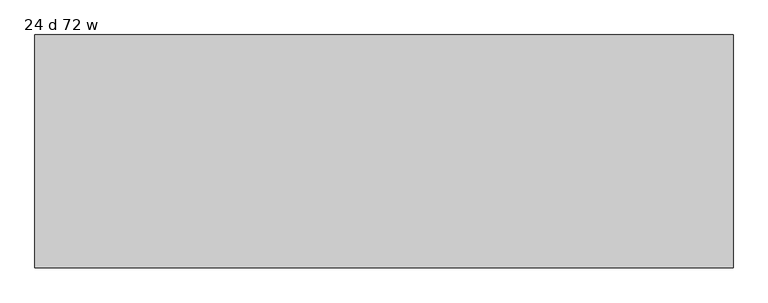
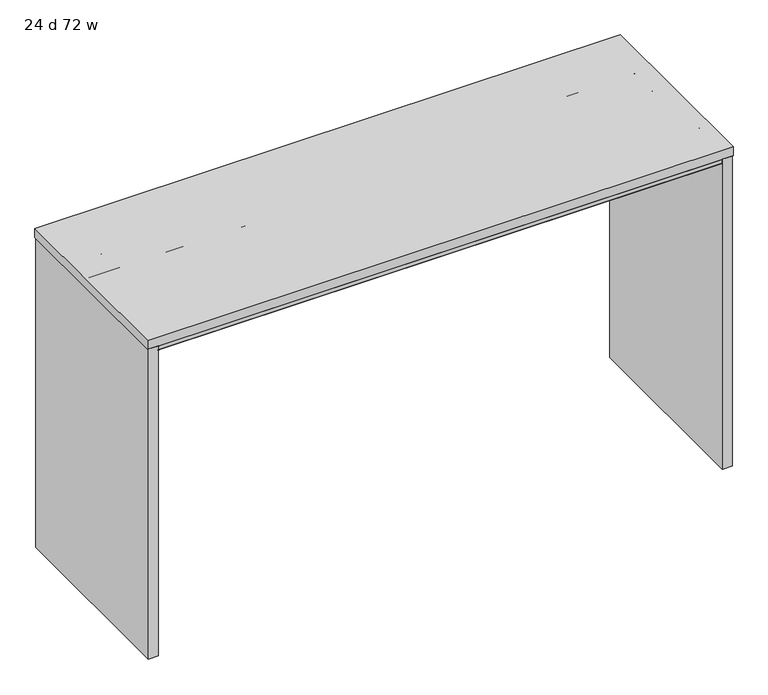
"""IFC4 building model written with IfcOpenShell, lengths in millimetres: furniture geometry, 24 d 72 w."""

from ifc_helpers import new_model, si_unit, frame, origin, place, context, project, spatial, polyline, circle_curve, outline, extrude, source, transform, mapped, element, save
from ifc_brep_helpers import plane_surface, cylinder_surface, revolved_surface, advanced_brep


def furniture_24_d_72_w_c4c2957f(model_context):
    return source(origin(), model_context, "Body", "SolidModel", [
        advanced_brep(
        [(-880.3632694, -212.0387871, 1035.7451368), (-880.3632694, -212.0387871, 1037.2344355), (-880.3632694, -4.8775792, 1037.2344355), (-880.3632694, -4.8775792, 1035.7451368), (-880.3632694, -68.948793, 1035.7451368), (-880.3632694, -69.7387884, 1034.9551414), (-880.3632694, -69.7387884, 981.8251949), (-880.3632694, -71.7487901, 979.8151932), (-880.3632694, -142.7288099, 979.8151932), (-880.3632694, -144.7387889, 981.8251722), (-880.3632694, -144.7387889, 1034.9551324), (-880.3632694, -145.5287934, 1035.7451368), (-880.3632694, -148.7440004, 1035.7451368), (-880.3632694, -148.7440004, 1034.8551476), (-880.3632694, -164.751863, 1034.8551476), (-880.3632694, -165.7440074, 1033.8630031), (-880.3632694, -165.7440074, 1022.7701294), (-880.3632694, -167.4239921, 1021.0901447), (-880.3632694, -301.064018, 1021.0901447), (-880.3632694, -302.7440027, 1022.7701294), (-880.3632694, -302.7440027, 1035.2851358), (-880.3632694, -300.7947031, 1037.2344355), (-880.3632694, -282.7440062, 1037.2344355), (-880.3632694, -282.7440062, 1035.7451368), (880.3632694, -144.7387889, 1034.9551324), (880.3632694, -144.7387889, 981.8251722), (880.3632694, -142.7288099, 979.8151932), (880.3632694, -71.7487901, 979.8151932), (880.3632694, -69.7387884, 981.8251949), (880.3632694, -69.7387884, 1034.9551414), (880.3632694, -68.948793, 1035.7451368), (880.3632694, -4.8775792, 1035.7451368), (880.3632694, -4.8775792, 1037.2344355), (880.3632694, -144.7387889, 1037.2344355), (904.2077008, -145.5287934, 1035.7451368), (904.2077008, -212.0387871, 1035.7451368), (880.3632694, -212.0387871, 1035.7451368), (880.3632694, -148.7440004, 1035.7451368), (880.3632694, -145.5287934, 1035.7451368), (-828.0233975, -144.7387889, 1034.9551324), (-804.1789661, -144.7387889, 1034.9551324), (-847.9087931, -4.8775792, 1035.7451368), (-842.2323695, -7.2288302, 1035.7451368), (-813.4978826, -35.9633064, 1035.7451368), (-795.5373737, -43.4027908, 1035.7451368), (795.5373737, -43.4027908, 1035.7451368), (813.4978826, -35.9633064, 1035.7451368), (842.2323695, -7.2288302, 1035.7451368), (847.9087931, -4.8775792, 1035.7451368), (904.2077008, -212.0387871, 1037.2344355), (904.2077008, -144.7387889, 1037.2344355), (847.9087931, -4.8775792, 1037.2344355), (842.2323695, -7.2288302, 1037.2344355), (813.4978826, -35.9633064, 1037.2344355), (795.5373737, -43.4027908, 1037.2344355), (-795.5373737, -43.4027908, 1037.2344355), (-813.4978826, -35.9633064, 1037.2344355), (-842.2323695, -7.2288302, 1037.2344355), (-847.9087931, -4.8775792, 1037.2344355), (904.2077008, -144.7387889, 1034.9551324), (880.3632694, -167.4239921, 1021.0901447), (880.3632694, -165.7440074, 1022.7701294), (880.3632694, -165.7440074, 1033.8630031), (880.3632694, -164.751863, 1034.8551476), (880.3632694, -148.7440004, 1034.8551476), (880.3632694, -282.7440062, 1035.7451368), (880.3632694, -282.7440062, 1037.2344355), (880.3632694, -300.7947031, 1037.2344355), (880.3632694, -302.7440027, 1035.2851358), (880.3632694, -302.7440027, 1022.7701294), (880.3632694, -301.064018, 1021.0901447)],
        [
            (0, 1),
            (1, 2),
            (2, 3),
            (3, 4),
            (4, 5, circle_curve(frame((-880.3632694, -68.948793, 1034.9551414), z_axis=(1.0, 0.0, 0.0), x_axis=(0.0, 1.0, 0.0)), 0.7899954)),
            (5, 6),
            (6, 7, circle_curve(frame((-880.3632694, -71.7487901, 981.8251949), z_axis=(-1.0, 0.0, 0.0), x_axis=(0.0, 1.0, 0.0)), 2.0100018)),
            (7, 8),
            (8, 9, circle_curve(frame((-880.3632694, -142.7288099, 981.8251722), z_axis=(-1.0, 0.0, 0.0), x_axis=(0.0, 1.0, 0.0)), 2.0099791)),
            (9, 10),
            (10, 11, circle_curve(frame((-880.3632694, -145.5287934, 1034.9551324), z_axis=(1.0, 0.0, 0.0), x_axis=(0.0, 1.0, 0.0)), 0.7900045)),
            (11, 12),
            (12, 13),
            (13, 14),
            (14, 15, circle_curve(frame((-880.3632694, -164.751863, 1033.8630031), z_axis=(1.0, 0.0, 0.0), x_axis=(0.0, 1.0, 0.0)), 0.9921444)),
            (15, 16),
            (16, 17, circle_curve(frame((-880.3632694, -167.4239921, 1022.7701294), z_axis=(-1.0, 0.0, 0.0), x_axis=(0.0, 1.0, 0.0)), 1.6799847)),
            (17, 18),
            (18, 19, circle_curve(frame((-880.3632694, -301.064018, 1022.7701294), z_axis=(-1.0, 0.0, 0.0), x_axis=(0.0, 1.0, 0.0)), 1.6799847)),
            (19, 20),
            (20, 21, circle_curve(frame((-880.3632694, -300.7947031, 1035.2851358), z_axis=(-1.0, 0.0, 0.0), x_axis=(0.0, 1.0, 0.0)), 1.9492996)),
            (21, 22),
            (22, 23),
            (23, 0),
            (24, 25),
            (25, 26, circle_curve(frame((880.3632694, -142.7288099, 981.8251722), z_axis=(1.0, 0.0, 0.0), x_axis=(0.0, 1.0, 0.0)), 2.0099791)),
            (26, 27),
            (27, 28, circle_curve(frame((880.3632694, -71.7487901, 981.8251949), z_axis=(1.0, 0.0, 0.0), x_axis=(0.0, 1.0, 0.0)), 2.0100018)),
            (28, 29),
            (29, 30, circle_curve(frame((880.3632694, -68.948793, 1034.9551414), z_axis=(-1.0, 0.0, 0.0), x_axis=(0.0, 1.0, 0.0)), 0.7899954)),
            (30, 31),
            (31, 32),
            (32, 33),
            (33, 24),
            (34, 35),
            (35, 36),
            (36, 37),
            (37, 12),
            (11, 38),
            (38, 34),
            (10, 39),
            (39, 40),
            (40, 24),
            (24, 38, circle_curve(frame((880.3632694, -145.5287934, 1034.9551324), z_axis=(1.0, 0.0, 0.0), x_axis=(0.0, 1.0, 0.0)), 0.7900045)),
            (9, 25),
            (8, 26),
            (7, 27),
            (6, 28),
            (5, 29),
            (4, 30),
            (3, 41),
            (41, 42, circle_curve(frame((-847.9087931, -12.905256, 1035.7451368), z_axis=(0.0, 0.0, -1.0), x_axis=(-1.0, 0.0, 0.0)), 8.0276768)),
            (42, 43),
            (43, 44, circle_curve(frame((-795.5373737, -18.0027908, 1035.7451368), z_axis=(0.0, 0.0, 1.0), x_axis=(-1.0, 0.0, 0.0)), 25.4)),
            (44, 45),
            (45, 46, circle_curve(frame((795.5373737, -18.0027908, 1035.7451368), z_axis=(0.0, 0.0, 1.0), x_axis=(-1.0, 0.0, 0.0)), 25.4)),
            (46, 47),
            (47, 48, circle_curve(frame((847.9087931, -12.905256, 1035.7451368), z_axis=(0.0, 0.0, -1.0), x_axis=(-1.0, 0.0, 0.0)), 8.0276768)),
            (48, 31),
            (1, 49),
            (49, 50),
            (50, 33),
            (32, 51),
            (51, 52, circle_curve(frame((847.9087931, -12.905256, 1037.2344355), z_axis=(0.0, 0.0, 1.0), x_axis=(-1.0, 0.0, 0.0)), 8.0276768)),
            (52, 53),
            (53, 54, circle_curve(frame((795.5373737, -18.0027908, 1037.2344355), z_axis=(0.0, 0.0, -1.0), x_axis=(-1.0, 0.0, 0.0)), 25.4)),
            (54, 55),
            (55, 56, circle_curve(frame((-795.5373737, -18.0027908, 1037.2344355), z_axis=(0.0, 0.0, -1.0), x_axis=(-1.0, 0.0, 0.0)), 25.4)),
            (56, 57),
            (57, 58, circle_curve(frame((-847.9087931, -12.905256, 1037.2344355), z_axis=(0.0, 0.0, 1.0), x_axis=(-1.0, 0.0, 0.0)), 8.0276768)),
            (58, 2),
            (0, 36),
            (35, 49),
            (34, 59, circle_curve(frame((904.2077008, -145.5287934, 1034.9551324), z_axis=(-1.0, 0.0, 0.0), x_axis=(0.0, 0.0, 1.0)), 0.7900045)),
            (59, 50),
            (24, 59),
            (60, 61, circle_curve(frame((880.3632694, -167.4239921, 1022.7701294), z_axis=(1.0, 0.0, 0.0), x_axis=(0.0, 1.0, 0.0)), 1.6799847)),
            (61, 62),
            (62, 63, circle_curve(frame((880.3632694, -164.751863, 1033.8630031), z_axis=(-1.0, 0.0, 0.0), x_axis=(0.0, 1.0, 0.0)), 0.9921444)),
            (63, 64),
            (64, 37),
            (36, 65),
            (65, 66),
            (66, 67),
            (67, 68, circle_curve(frame((880.3632694, -300.7947031, 1035.2851358), z_axis=(1.0, 0.0, 0.0), x_axis=(0.0, 1.0, 0.0)), 1.9492996)),
            (68, 69),
            (69, 70, circle_curve(frame((880.3632694, -301.064018, 1022.7701294), z_axis=(1.0, 0.0, 0.0), x_axis=(0.0, 1.0, 0.0)), 1.6799847)),
            (70, 60),
            (16, 61),
            (60, 17),
            (15, 62),
            (14, 63),
            (13, 64),
            (23, 65),
            (22, 66),
            (21, 67),
            (20, 68),
            (19, 69),
            (18, 70),
            (58, 41),
            (57, 42),
            (56, 43),
            (55, 44),
            (54, 45),
            (53, 46),
            (52, 47),
            (51, 48),
        ],
        [
            plane_surface(frame((-880.3632694, -107.2388, 1037.2344355), z_axis=(-1.0, 0.0, 0.0), x_axis=(0.0, 0.0, 1.0))),
            plane_surface(frame((880.3632694, -107.2388, 1037.2344355), z_axis=(1.0, 0.0, 0.0), x_axis=(0.0, 0.0, 1.0))),
            plane_surface(frame((-880.3632694, -145.5287934, 1035.7451368), z_axis=(0.0, 0.0, -1.0), x_axis=(1.0, 0.0, 0.0))),
            revolved_surface(polyline([(880.3632694, -144.7387889, 1034.9551324), (-880.3632694, -144.7387889, 1034.9551324)]), (-880.3632694, -145.5287934, 1034.9551324), (1.0, 0.0, 0.0)),
            plane_surface(frame((-880.3632694, -144.7387889, 981.8251722), z_axis=(0.0, -1.0, 0.0), x_axis=(1.0, 0.0, 0.0))),
            cylinder_surface(frame((-880.3632694, -142.7288099, 981.8251722), z_axis=(-1.0, 0.0, 0.0), x_axis=(0.0, 1.0, 0.0)), 2.0099791),
            plane_surface(frame((-880.3632694, -71.7487901, 979.8151932), z_axis=(0.0, 0.0, -1.0), x_axis=(1.0, 0.0, 0.0))),
            cylinder_surface(frame((-880.3632694, -71.7487901, 981.8251949), z_axis=(-1.0, 0.0, 0.0), x_axis=(0.0, 1.0, 0.0)), 2.0100018),
            plane_surface(frame((-880.3632694, -69.7387884, 1034.9551414), z_axis=(0.0, 1.0, 0.0), x_axis=(1.0, 0.0, 0.0))),
            revolved_surface(polyline([(880.3632694, -68.1587976, 1034.9551414), (-880.3632694, -68.1587976, 1034.9551414)]), (-880.3632694, -68.948793, 1034.9551414), (1.0, 0.0, 0.0)),
            plane_surface(frame((-880.3632694, -2.4387896, 1035.7451368), z_axis=(0.0, 0.0, -1.0), x_axis=(1.0, 0.0, 0.0))),
            plane_surface(frame((-880.3632694, -212.0387871, 1037.2344355), z_axis=(0.0, 0.0, 1.0), x_axis=(1.0, 0.0, 0.0))),
            plane_surface(frame((-880.3632694, -212.0387871, 1035.7451368), z_axis=(0.0, -1.0, 0.0), x_axis=(1.0, 0.0, 0.0))),
            plane_surface(frame((904.2077008, -212.0387871, 1037.2344355), z_axis=(1.0, 0.0, 0.0), x_axis=(0.0, 0.0, -1.0))),
            revolved_surface(polyline([(880.3632694, -145.5287934, 1035.7451368999998), (904.2077008, -145.5287934, 1035.7451368999998)]), (880.3632694, -145.5287934, 1034.9551324), (-1.0, 0.0, 0.0)),
            plane_surface(frame((904.2077008, -144.7387889, 1034.9551324), z_axis=(0.0, 1.0, 0.0), x_axis=(-1.0, 0.0, 0.0))),
            plane_surface(frame((880.3632694, -304.8, 1037.2344355), z_axis=(1.0, 0.0, 0.0), x_axis=(0.0, 0.0, 1.0))),
            cylinder_surface(frame((-880.3632694, -167.4239921, 1022.7701294), z_axis=(-1.0, 0.0, 0.0), x_axis=(0.0, 1.0, 0.0)), 1.6799847),
            plane_surface(frame((-880.3632694, -165.7440074, 1033.8630031), z_axis=(0.0, 1.0, 0.0), x_axis=(1.0, 0.0, 0.0))),
            revolved_surface(polyline([(880.3632694, -163.75971859999999, 1033.8630031), (-880.3632694, -163.75971859999999, 1033.8630031)]), (-880.3632694, -164.751863, 1033.8630031), (1.0, 0.0, 0.0)),
            plane_surface(frame((-880.3632694, -148.7440004, 1034.8551476), z_axis=(0.0, 0.0, -1.0), x_axis=(1.0, 0.0, 0.0))),
            plane_surface(frame((-880.3632694, -148.7440004, 1035.7451368), z_axis=(0.0, 1.0, 0.0), x_axis=(1.0, 0.0, 0.0))),
            plane_surface(frame((-880.3632694, -282.7440062, 1035.7451368), z_axis=(0.0, 0.0, 1.0), x_axis=(1.0, 0.0, 0.0))),
            plane_surface(frame((-880.3632694, -282.7440062, 1037.2344355), z_axis=(0.0, 1.0, 0.0), x_axis=(1.0, 0.0, 0.0))),
            plane_surface(frame((-880.3632694, -300.7947031, 1037.2344355), z_axis=(0.0, 0.0, 1.0), x_axis=(1.0, 0.0, 0.0))),
            cylinder_surface(frame((-880.3632694, -300.7947031, 1035.2851358), z_axis=(-1.0, 0.0, 0.0), x_axis=(0.0, 1.0, 0.0)), 1.9492996),
            plane_surface(frame((-880.3632694, -302.7440027, 1022.7701294), z_axis=(0.0, -1.0, 0.0), x_axis=(1.0, 0.0, 0.0))),
            cylinder_surface(frame((-880.3632694, -301.064018, 1022.7701294), z_axis=(-1.0, 0.0, 0.0), x_axis=(0.0, 1.0, 0.0)), 1.6799847),
            plane_surface(frame((-880.3632694, -167.4239921, 1021.0901447), z_axis=(0.0, 0.0, -1.0), x_axis=(1.0, 0.0, 0.0))),
            plane_surface(frame((-880.3632694, -4.8775792, 1037.2344355), z_axis=(0.0, 1.0, 0.0), x_axis=(0.0, 0.0, -1.0))),
            cylinder_surface(frame((-847.9087931, -12.905256, 1021.0901447), z_axis=(0.0, 0.0, -1.0), x_axis=(-1.0, 0.0, 0.0)), 8.0276768),
            plane_surface(frame((-842.2323695, -7.2288302, 1037.2344355), z_axis=(0.7071066495450297, 0.707106912828041, 0.0), x_axis=(0.0, 0.0, -1.0))),
            revolved_surface(polyline([(-820.9373737, -18.0027908, 1037.2344355), (-820.9373737, -18.0027908, 1035.7451368)]), (-795.5373737, -18.0027908, 1021.0901447), (0.0, 0.0, 1.0)),
            plane_surface(frame((-795.5373737, -43.4027908, 1037.2344355), z_axis=(0.0, 1.0, 0.0), x_axis=(0.0, 0.0, -1.0))),
            revolved_surface(polyline([(770.1373737, -18.0027908, 1037.2344355), (770.1373737, -18.0027908, 1035.7451368)]), (795.5373737, -18.0027908, 1021.0901447), (0.0, 0.0, 1.0)),
            plane_surface(frame((813.4978826, -35.9633064, 1037.2344355), z_axis=(-0.7071066495450204, 0.70710691282805, 0.0), x_axis=(0.0, 0.0, -1.0))),
            cylinder_surface(frame((847.9087931, -12.905256, 1021.0901447), z_axis=(0.0, 0.0, -1.0), x_axis=(-1.0, 0.0, 0.0)), 8.0276768),
            plane_surface(frame((847.9087931, -4.8775792, 1037.2344355), z_axis=(0.0, 1.0, 0.0), x_axis=(0.0, 0.0, -1.0))),
        ],
        [
            (0, [[1, 2, 3, 4, 5, 6, 7, 8, 9, 10, 11, 12, 13, 14, 15, 16, 17, 18, 19, 20, 21, 22, 23, 24]]),
            (1, [[25, 26, 27, 28, 29, 30, 31, 32, 33, 34]]),
            (2, [[35, 36, 37, 38, -12, 39, 40]]),
            (3, [[-11, 41, 42, 43, 44, -39]]),
            (4, [[-10, 45, -25, -43, -42, -41]]),
            (5, [[-9, 46, -26, -45]]),
            (6, [[-8, 47, -27, -46]]),
            (7, [[-7, 48, -28, -47]]),
            (8, [[-6, 49, -29, -48]]),
            (9, [[-5, 50, -30, -49]]),
            (10, [[-50, -4, 51, 52, 53, 54, 55, 56, 57, 58, 59, -31]]),
            (11, [[-2, 60, 61, 62, -33, 63, 64, 65, 66, 67, 68, 69, 70, 71]]),
            (12, [[-1, 72, -36, 73, -60]]),
            (13, [[-73, -35, 74, 75, -61]]),
            (14, [[-74, -40, -44, 76]]),
            (15, [[-75, -76, -34, -62]]),
            (16, [[77, 78, 79, 80, 81, -37, 82, 83, 84, 85, 86, 87, 88]]),
            (17, [[-17, 89, -77, 90]]),
            (18, [[-16, 91, -78, -89]]),
            (19, [[-15, 92, -79, -91]]),
            (20, [[-14, 93, -80, -92]]),
            (21, [[-13, -38, -81, -93]]),
            (22, [[94, -82, -72, -24]]),
            (23, [[-23, 95, -83, -94]]),
            (24, [[-22, 96, -84, -95]]),
            (25, [[-21, 97, -85, -96]]),
            (26, [[-20, 98, -86, -97]]),
            (27, [[-19, 99, -87, -98]]),
            (28, [[-18, -90, -88, -99]]),
            (29, [[100, -51, -3, -71]]),
            (30, [[-100, -70, 101, -52]]),
            (31, [[-101, -69, 102, -53]]),
            (32, [[-102, -68, 103, -54]]),
            (33, [[-103, -67, 104, -55]]),
            (34, [[-104, -66, 105, -56]]),
            (35, [[-105, -65, 106, -57]]),
            (36, [[-106, -64, 107, -58]]),
            (37, [[-107, -63, -32, -59]]),
        ],
    ),
        advanced_brep(
        [(-880.3632694, 145.5287934, 1035.7451368), (-880.3632694, 144.7387889, 1034.9551324), (-880.3632694, 144.7387889, 981.8251722), (-880.3632694, 142.7288099, 979.8151932), (-880.3632694, 71.7487901, 979.8151932), (-880.3632694, 69.7387884, 981.8251949), (-880.3632694, 69.7387884, 1034.9551414), (-880.3632694, 68.948793, 1035.7451368), (-880.3632694, 4.8775792, 1035.7451368), (-880.3632694, 4.8775792, 1037.2344355), (-880.3632694, 212.0387871, 1037.2344355), (-880.3632694, 212.0387871, 1035.7451368), (-880.3632694, 282.7440062, 1035.7451368), (-880.3632694, 282.7440062, 1037.2344355), (-880.3632694, 300.7947031, 1037.2344355), (-880.3632694, 302.7440027, 1035.2851358), (-880.3632694, 302.7440027, 1022.7701294), (-880.3632694, 301.064018, 1021.0901447), (-880.3632694, 167.4239921, 1021.0901447), (-880.3632694, 165.7440074, 1022.7701294), (-880.3632694, 165.7440074, 1033.8630031), (-880.3632694, 164.751863, 1034.8551476), (-880.3632694, 148.7440004, 1034.8551476), (-880.3632694, 148.7440004, 1035.7451368), (880.3632694, 68.948793, 1035.7451368), (880.3632694, 69.7387884, 1034.9551414), (880.3632694, 69.7387884, 981.8251949), (880.3632694, 71.7487901, 979.8151932), (880.3632694, 142.7288099, 979.8151932), (880.3632694, 144.7387889, 981.8251722), (880.3632694, 144.7387889, 1034.9551324), (880.3632694, 144.7387889, 1037.2344355), (880.3632694, 4.8775792, 1037.2344355), (880.3632694, 4.8775792, 1035.7451368), (904.2077008, 212.0387871, 1035.7451368), (904.2077008, 145.5287934, 1035.7451368), (880.3632694, 145.5287934, 1035.7451368), (880.3632694, 148.7440004, 1035.7451368), (880.3632694, 212.0387871, 1035.7451368), (-804.1789661, 144.7387889, 1034.9551324), (-828.0233975, 144.7387889, 1034.9551324), (847.9087931, 4.8775792, 1035.7451368), (842.2323695, 7.2288302, 1035.7451368), (813.4978826, 35.9633064, 1035.7451368), (795.5373737, 43.4027908, 1035.7451368), (-795.5373737, 43.4027908, 1035.7451368), (-813.4978826, 35.9633064, 1035.7451368), (-842.2323695, 7.2288302, 1035.7451368), (-847.9087931, 4.8775792, 1035.7451368), (-847.9087931, 4.8775792, 1037.2344355), (-842.2323695, 7.2288302, 1037.2344355), (-813.4978826, 35.9633064, 1037.2344355), (-795.5373737, 43.4027908, 1037.2344355), (795.5373737, 43.4027908, 1037.2344355), (813.4978826, 35.9633064, 1037.2344355), (842.2323695, 7.2288302, 1037.2344355), (847.9087931, 4.8775792, 1037.2344355), (904.2077008, 144.7387889, 1037.2344355), (904.2077008, 212.0387871, 1037.2344355), (904.2077008, 144.7387889, 1034.9551324), (880.3632694, 167.4239921, 1021.0901447), (880.3632694, 301.064018, 1021.0901447), (880.3632694, 302.7440027, 1022.7701294), (880.3632694, 302.7440027, 1035.2851358), (880.3632694, 300.7947031, 1037.2344355), (880.3632694, 282.7440062, 1037.2344355), (880.3632694, 282.7440062, 1035.7451368), (880.3632694, 148.7440004, 1034.8551476), (880.3632694, 164.751863, 1034.8551476), (880.3632694, 165.7440074, 1033.8630031), (880.3632694, 165.7440074, 1022.7701294)],
        [
            (0, 1, circle_curve(frame((-880.3632694, 145.5287934, 1034.9551324), z_axis=(1.0, 0.0, 0.0), x_axis=(0.0, 1.0, 0.0)), 0.7900045)),
            (1, 2),
            (2, 3, circle_curve(frame((-880.3632694, 142.7288099, 981.8251722), z_axis=(-1.0, 0.0, 0.0), x_axis=(0.0, 1.0, 0.0)), 2.0099791)),
            (3, 4),
            (4, 5, circle_curve(frame((-880.3632694, 71.7487901, 981.8251949), z_axis=(-1.0, 0.0, 0.0), x_axis=(0.0, 1.0, 0.0)), 2.0100018)),
            (5, 6),
            (6, 7, circle_curve(frame((-880.3632694, 68.948793, 1034.9551414), z_axis=(1.0, 0.0, 0.0), x_axis=(0.0, 1.0, 0.0)), 0.7899954)),
            (7, 8),
            (8, 9),
            (9, 10),
            (10, 11),
            (11, 12),
            (12, 13),
            (13, 14),
            (14, 15, circle_curve(frame((-880.3632694, 300.7947031, 1035.2851358), z_axis=(-1.0, 0.0, 0.0), x_axis=(0.0, 1.0, 0.0)), 1.9492996)),
            (15, 16),
            (16, 17, circle_curve(frame((-880.3632694, 301.064018, 1022.7701294), z_axis=(-1.0, 0.0, 0.0), x_axis=(0.0, 1.0, 0.0)), 1.6799847)),
            (17, 18),
            (18, 19, circle_curve(frame((-880.3632694, 167.4239921, 1022.7701294), z_axis=(-1.0, 0.0, 0.0), x_axis=(0.0, 1.0, 0.0)), 1.6799847)),
            (19, 20),
            (20, 21, circle_curve(frame((-880.3632694, 164.751863, 1033.8630031), z_axis=(1.0, 0.0, 0.0), x_axis=(0.0, 1.0, 0.0)), 0.9921444)),
            (21, 22),
            (22, 23),
            (23, 0),
            (24, 25, circle_curve(frame((880.3632694, 68.948793, 1034.9551414), z_axis=(-1.0, 0.0, 0.0), x_axis=(0.0, 1.0, 0.0)), 0.7899954)),
            (25, 26),
            (26, 27, circle_curve(frame((880.3632694, 71.7487901, 981.8251949), z_axis=(1.0, 0.0, 0.0), x_axis=(0.0, 1.0, 0.0)), 2.0100018)),
            (27, 28),
            (28, 29, circle_curve(frame((880.3632694, 142.7288099, 981.8251722), z_axis=(1.0, 0.0, 0.0), x_axis=(0.0, 1.0, 0.0)), 2.0099791)),
            (29, 30),
            (30, 31),
            (31, 32),
            (32, 33),
            (33, 24),
            (34, 35),
            (35, 36),
            (36, 0),
            (23, 37),
            (37, 38),
            (38, 34),
            (36, 30, circle_curve(frame((880.3632694, 145.5287934, 1034.9551324), z_axis=(1.0, 0.0, 0.0), x_axis=(0.0, 1.0, 0.0)), 0.7900045)),
            (30, 39),
            (39, 40),
            (40, 1),
            (29, 2),
            (28, 3),
            (27, 4),
            (26, 5),
            (25, 6),
            (24, 7),
            (33, 41),
            (41, 42, circle_curve(frame((847.9087931, 12.905256, 1035.7451368), z_axis=(0.0, 0.0, -1.0), x_axis=(-1.0, 0.0, 0.0)), 8.0276768)),
            (42, 43),
            (43, 44, circle_curve(frame((795.5373737, 18.0027908, 1035.7451368), z_axis=(0.0, 0.0, 1.0), x_axis=(-1.0, 0.0, 0.0)), 25.4)),
            (44, 45),
            (45, 46, circle_curve(frame((-795.5373737, 18.0027908, 1035.7451368), z_axis=(0.0, 0.0, 1.0), x_axis=(-1.0, 0.0, 0.0)), 25.4)),
            (46, 47),
            (47, 48, circle_curve(frame((-847.9087931, 12.905256, 1035.7451368), z_axis=(0.0, 0.0, -1.0), x_axis=(-1.0, 0.0, 0.0)), 8.0276768)),
            (48, 8),
            (9, 49),
            (49, 50, circle_curve(frame((-847.9087931, 12.905256, 1037.2344355), z_axis=(0.0, 0.0, 1.0), x_axis=(-1.0, 0.0, 0.0)), 8.0276768)),
            (50, 51),
            (51, 52, circle_curve(frame((-795.5373737, 18.0027908, 1037.2344355), z_axis=(0.0, 0.0, -1.0), x_axis=(-1.0, 0.0, 0.0)), 25.4)),
            (52, 53),
            (53, 54, circle_curve(frame((795.5373737, 18.0027908, 1037.2344355), z_axis=(0.0, 0.0, -1.0), x_axis=(-1.0, 0.0, 0.0)), 25.4)),
            (54, 55),
            (55, 56, circle_curve(frame((847.9087931, 12.905256, 1037.2344355), z_axis=(0.0, 0.0, 1.0), x_axis=(-1.0, 0.0, 0.0)), 8.0276768)),
            (56, 32),
            (31, 57),
            (57, 58),
            (58, 10),
            (58, 34),
            (38, 11),
            (57, 59),
            (59, 35, circle_curve(frame((904.2077008, 145.5287934, 1034.9551324), z_axis=(-1.0, 0.0, 0.0), x_axis=(0.0, 0.0, 1.0)), 0.7900045)),
            (30, 59),
            (60, 61),
            (61, 62, circle_curve(frame((880.3632694, 301.064018, 1022.7701294), z_axis=(1.0, 0.0, 0.0), x_axis=(0.0, 1.0, 0.0)), 1.6799847)),
            (62, 63),
            (63, 64, circle_curve(frame((880.3632694, 300.7947031, 1035.2851358), z_axis=(1.0, 0.0, 0.0), x_axis=(0.0, 1.0, 0.0)), 1.9492996)),
            (64, 65),
            (65, 66),
            (66, 38),
            (37, 67),
            (67, 68),
            (68, 69, circle_curve(frame((880.3632694, 164.751863, 1033.8630031), z_axis=(-1.0, 0.0, 0.0), x_axis=(0.0, 1.0, 0.0)), 0.9921444)),
            (69, 70),
            (70, 60, circle_curve(frame((880.3632694, 167.4239921, 1022.7701294), z_axis=(1.0, 0.0, 0.0), x_axis=(0.0, 1.0, 0.0)), 1.6799847)),
            (18, 60),
            (70, 19),
            (69, 20),
            (68, 21),
            (67, 22),
            (66, 12),
            (65, 13),
            (64, 14),
            (63, 15),
            (62, 16),
            (61, 17),
            (56, 41),
            (55, 42),
            (54, 43),
            (53, 44),
            (52, 45),
            (51, 46),
            (50, 47),
            (49, 48),
        ],
        [
            plane_surface(frame((-880.3632694, 107.2388, 1037.2344355), z_axis=(-1.0, 0.0, 0.0), x_axis=(0.0, 0.0, 1.0))),
            plane_surface(frame((880.3632694, 107.2388, 1037.2344355), z_axis=(1.0, 0.0, 0.0), x_axis=(0.0, 0.0, 1.0))),
            plane_surface(frame((-880.3632694, 212.0387871, 1035.7451368), z_axis=(0.0, 0.0, -1.0), x_axis=(1.0, 0.0, 0.0))),
            revolved_surface(polyline([(880.3632694, 146.31879790000002, 1034.9551324), (-880.3632694, 146.31879790000002, 1034.9551324)]), (-880.3632694, 145.5287934, 1034.9551324), (1.0, 0.0, 0.0)),
            plane_surface(frame((-880.3632694, 144.7387889, 1034.9551324), z_axis=(0.0, 1.0, 0.0), x_axis=(1.0, 0.0, 0.0))),
            cylinder_surface(frame((-880.3632694, 142.7288099, 981.8251722), z_axis=(-1.0, 0.0, 0.0), x_axis=(0.0, 1.0, 0.0)), 2.0099791),
            plane_surface(frame((-880.3632694, 142.7288099, 979.8151932), z_axis=(0.0, 0.0, -1.0), x_axis=(1.0, 0.0, 0.0))),
            cylinder_surface(frame((-880.3632694, 71.7487901, 981.8251949), z_axis=(-1.0, 0.0, 0.0), x_axis=(0.0, 1.0, 0.0)), 2.0100018),
            plane_surface(frame((-880.3632694, 69.7387884, 981.8251949), z_axis=(0.0, -1.0, 0.0), x_axis=(1.0, 0.0, 0.0))),
            revolved_surface(polyline([(880.3632694, 69.73878839999999, 1034.9551414), (-880.3632694, 69.73878839999999, 1034.9551414)]), (-880.3632694, 68.948793, 1034.9551414), (1.0, 0.0, 0.0)),
            plane_surface(frame((-880.3632694, 68.948793, 1035.7451368), z_axis=(0.0, 0.0, -1.0), x_axis=(1.0, 0.0, 0.0))),
            plane_surface(frame((-880.3632694, 2.4387896, 1037.2344355), z_axis=(0.0, 0.0, 1.0), x_axis=(1.0, 0.0, 0.0))),
            plane_surface(frame((-880.3632694, 212.0387871, 1037.2344355), z_axis=(0.0, 1.0, 0.0), x_axis=(1.0, 0.0, 0.0))),
            plane_surface(frame((904.2077008, -212.0387871, 1037.2344355), z_axis=(1.0, 0.0, 0.0), x_axis=(0.0, 0.0, -1.0))),
            plane_surface(frame((904.2077008, 144.7387889, 1037.2344355), z_axis=(0.0, -1.0, 0.0), x_axis=(-1.0, 0.0, 0.0))),
            revolved_surface(polyline([(880.3632694, 145.5287934, 1035.7451368999998), (904.2077008, 145.5287934, 1035.7451368999998)]), (880.3632694, 145.5287934, 1034.9551324), (-1.0, 0.0, 0.0)),
            plane_surface(frame((880.3632694, 304.8, 1037.2344355), z_axis=(1.0, 0.0, 0.0), x_axis=(0.0, 0.0, 1.0))),
            cylinder_surface(frame((-880.3632694, 167.4239921, 1022.7701294), z_axis=(-1.0, 0.0, 0.0), x_axis=(0.0, 1.0, 0.0)), 1.6799847),
            plane_surface(frame((-880.3632694, 165.7440074, 1022.7701294), z_axis=(0.0, -1.0, 0.0), x_axis=(1.0, 0.0, 0.0))),
            revolved_surface(polyline([(880.3632694, 165.7440074, 1033.8630031), (-880.3632694, 165.7440074, 1033.8630031)]), (-880.3632694, 164.751863, 1033.8630031), (1.0, 0.0, 0.0)),
            plane_surface(frame((-880.3632694, 164.751863, 1034.8551476), z_axis=(0.0, 0.0, -1.0), x_axis=(1.0, 0.0, 0.0))),
            plane_surface(frame((-880.3632694, 148.7440004, 1034.8551476), z_axis=(0.0, -1.0, 0.0), x_axis=(1.0, 0.0, 0.0))),
            plane_surface(frame((-880.3632694, 148.7440004, 1035.7451368), z_axis=(0.0, 0.0, 1.0), x_axis=(1.0, 0.0, 0.0))),
            plane_surface(frame((-880.3632694, 282.7440062, 1035.7451368), z_axis=(0.0, -1.0, 0.0), x_axis=(1.0, 0.0, 0.0))),
            plane_surface(frame((-880.3632694, 282.7440062, 1037.2344355), z_axis=(0.0, 0.0, 1.0), x_axis=(1.0, 0.0, 0.0))),
            cylinder_surface(frame((-880.3632694, 300.7947031, 1035.2851358), z_axis=(-1.0, 0.0, 0.0), x_axis=(0.0, 1.0, 0.0)), 1.9492996),
            plane_surface(frame((-880.3632694, 302.7440027, 1035.2851358), z_axis=(0.0, 1.0, 0.0), x_axis=(1.0, 0.0, 0.0))),
            cylinder_surface(frame((-880.3632694, 301.064018, 1022.7701294), z_axis=(-1.0, 0.0, 0.0), x_axis=(0.0, 1.0, 0.0)), 1.6799847),
            plane_surface(frame((-880.3632694, 301.064018, 1021.0901447), z_axis=(0.0, 0.0, -1.0), x_axis=(1.0, 0.0, 0.0))),
            plane_surface(frame((880.3632694, 4.8775792, 1037.2344355), z_axis=(0.0, -1.0, 0.0), x_axis=(0.0, 0.0, -1.0))),
            cylinder_surface(frame((847.9087931, 12.905256, 1021.0901447), z_axis=(0.0, 0.0, -1.0), x_axis=(-1.0, 0.0, 0.0)), 8.0276768),
            plane_surface(frame((842.2323695, 7.2288302, 1037.2344355), z_axis=(-0.7071066495449169, -0.7071069128281539, 0.0), x_axis=(0.0, 0.0, -1.0))),
            revolved_surface(polyline([(770.1373737, 18.0027908, 1037.2344355), (770.1373737, 18.0027908, 1035.7451368)]), (795.5373737, 18.0027908, 1021.0901447), (0.0, 0.0, 1.0)),
            plane_surface(frame((795.5373737, 43.4027908, 1037.2344355), z_axis=(0.0, -1.0, 0.0), x_axis=(0.0, 0.0, -1.0))),
            revolved_surface(polyline([(-820.9373737, 18.0027908, 1037.2344355), (-820.9373737, 18.0027908, 1035.7451368)]), (-795.5373737, 18.0027908, 1021.0901447), (0.0, 0.0, 1.0)),
            plane_surface(frame((-813.4978826, 35.9633064, 1037.2344355), z_axis=(0.7071066495450035, -0.7071069128280671, 0.0), x_axis=(0.0, 0.0, -1.0))),
            cylinder_surface(frame((-847.9087931, 12.905256, 1021.0901447), z_axis=(0.0, 0.0, -1.0), x_axis=(-1.0, 0.0, 0.0)), 8.0276768),
            plane_surface(frame((-847.9087931, 4.8775792, 1037.2344355), z_axis=(0.0, -1.0, 0.0), x_axis=(0.0, 0.0, -1.0))),
        ],
        [
            (0, [[1, 2, 3, 4, 5, 6, 7, 8, 9, 10, 11, 12, 13, 14, 15, 16, 17, 18, 19, 20, 21, 22, 23, 24]]),
            (1, [[25, 26, 27, 28, 29, 30, 31, 32, 33, 34]]),
            (2, [[35, 36, 37, -24, 38, 39, 40]]),
            (3, [[-1, -37, 41, 42, 43, 44]]),
            (4, [[-2, -44, -43, -42, -30, 45]]),
            (5, [[-3, -45, -29, 46]]),
            (6, [[-4, -46, -28, 47]]),
            (7, [[-5, -47, -27, 48]]),
            (8, [[-6, -48, -26, 49]]),
            (9, [[-7, -49, -25, 50]]),
            (10, [[-50, -34, 51, 52, 53, 54, 55, 56, 57, 58, 59, -8]]),
            (11, [[-10, 60, 61, 62, 63, 64, 65, 66, 67, 68, -32, 69, 70, 71]]),
            (12, [[-11, -71, 72, -40, 73]]),
            (13, [[74, 75, -35, -72, -70]]),
            (14, [[-74, -69, -31, 76]]),
            (15, [[-75, -76, -41, -36]]),
            (16, [[77, 78, 79, 80, 81, 82, 83, -39, 84, 85, 86, 87, 88]]),
            (17, [[-19, 89, -88, 90]]),
            (18, [[-20, -90, -87, 91]]),
            (19, [[-21, -91, -86, 92]]),
            (20, [[-22, -92, -85, 93]]),
            (21, [[-23, -93, -84, -38]]),
            (22, [[94, -12, -73, -83]]),
            (23, [[-13, -94, -82, 95]]),
            (24, [[-14, -95, -81, 96]]),
            (25, [[-15, -96, -80, 97]]),
            (26, [[-16, -97, -79, 98]]),
            (27, [[-17, -98, -78, 99]]),
            (28, [[-18, -99, -77, -89]]),
            (29, [[100, -51, -33, -68]]),
            (30, [[-100, -67, 101, -52]]),
            (31, [[-101, -66, 102, -53]]),
            (32, [[-102, -65, 103, -54]]),
            (33, [[-103, -64, 104, -55]]),
            (34, [[-104, -63, 105, -56]]),
            (35, [[-105, -62, 106, -57]]),
            (36, [[-106, -61, 107, -58]]),
            (37, [[-107, -60, -9, -59]]),
        ],
    ),
        extrude(outline(polyline([(-880.3632694, 304.8), (-880.3632694, -304.8), (-911.9098177, -304.8), (-911.9098177, 304.8), (-880.3632694, 304.8)])), frame((0.0, 0.0, 12.2237497), z_axis=(0.0, 0.0, 1.0), x_axis=(1.0, 0.0, 0.0)), (0.0, 0.0, 1.0), 1025.0106858),
        extrude(outline(polyline([(880.3632694, 304.8), (911.9098177, 304.8), (911.9098177, -304.8), (880.3632694, -304.8), (880.3632694, 304.8)])), frame((0.0, 0.0, 12.2237497), z_axis=(0.0, 0.0, 1.0), x_axis=(1.0, 0.0, 0.0)), (0.0, 0.0, 1.0), 1025.0106858),
        extrude(outline(polyline([(914.4, 304.8), (914.4, -304.8), (-914.4, -304.8), (-914.4, 304.8), (914.4, 304.8)])), frame((0.0, 0.0, 1037.2344355), z_axis=(0.0, 0.0, 1.0), x_axis=(1.0, 0.0, 0.0)), (0.0, 0.0, 1.0), 29.5655645),
    ])


if __name__ == "__main__":
    model = new_model("IFC4")
    model_context = context("Model", 3, world=origin())
    ifc_project = project(units=[si_unit("LENGTHUNIT", "METRE", prefix="MILLI")], contexts=[model_context])
    site = spatial("IfcSite", under=ifc_project)
    building = spatial("IfcBuilding", under=site)
    placement = place(None, origin())
    furniture_24_d_72_w_shape = furniture_24_d_72_w_c4c2957f(model_context)
    element("IfcFurniture", 1, ObjectType="24 d 72 w", at=placement, inside=building, context=model_context, shape_type="MappedRepresentation", body=[
        mapped(furniture_24_d_72_w_shape, transform((0.0, 0.0, 0.0), x_axis=(1.0, 0.0, 0.0), y_axis=(0.0, 1.0, 0.0), z_axis=(0.0, 0.0, 1.0))),
    ])
    save(model, "model.ifc")
